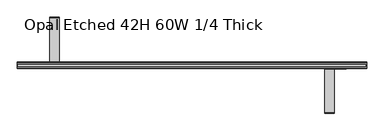
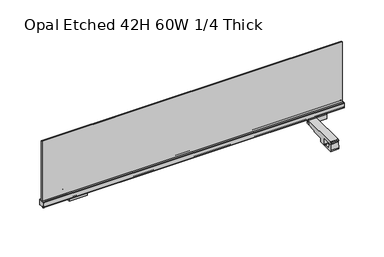
"""IFC4 building model written with IfcOpenShell, lengths in millimetres: furniture geometry, Opal Etched 42H 60W 1/4 Thick."""

from ifc_helpers import new_model, si_unit, frame, origin, place, context, project, spatial, polyline, circle_curve, ellipse_curve, outline, extrude, source, transform, mapped, element, save
from ifc_brep_helpers import plane_surface, cylinder_surface, revolved_surface, advanced_brep


def opal_etched_42h_60w_1_4_thick_86b649ca(model_context):
    return source(origin(), model_context, "Body", "SolidModel", [
        extrude(outline(polyline([(3.201435, 695.9952598), (12.5472507, 695.9948719), (13.9614642, 696.5806646), (14.5463959, 697.9928328), (14.5465332, 699.4737627), (15.6559149, 694.5869844), (16.1552308, 670.5006633), (3.201435, 670.2321276), (3.201435, 695.9952598)])), frame((-617.0086695, 0.0, 0.0), z_axis=(1.0, 0.0, 0.0), x_axis=(0.0, 1.0, 0.0)), (0.0, 0.0, 1.0), 91.8823277),
        advanced_brep(
        [(-585.6869928, 64.3714744, 682.0986035), (-608.330335, 64.3714744, 682.0986035), (-610.7646143, 64.3714744, 679.6643242), (-611.0784676, 64.3714744, 670.0187968), (-582.9388615, 64.3714744, 670.0187968), (-583.2527135, 64.3714744, 679.6643242), (-585.6869928, 34.3714744, 682.0986035), (-608.330335, 34.3714744, 682.0986035), (-610.7646143, 34.3714744, 679.6643242), (-611.0784676, 34.3714744, 670.0187968), (-611.0784676, 63.1060855, 670.0187968), (-582.9388615, 63.1060855, 670.0187968), (-582.9388615, 34.3714744, 670.0187968), (-583.2527135, 34.3714744, 679.6643242), (-577.0086583, 15.5333084, 694.748492), (-577.0086583, 16.0512785, 670.0187968), (-577.0086583, 63.1060855, 670.0187968), (-577.0086583, 64.7802895, 669.3253107), (-577.0086583, 65.3660777, 667.9110802), (-577.0086583, 65.3660777, 666.9110686), (-577.0086583, 65.9518614, 665.4969107), (-577.0086583, 67.0455533, 665.0438834), (-577.0086583, 120.0667475, 665.0438834), (-577.0086583, 122.5380118, 662.5726192), (-577.0086583, 123.0486642, 647.9494482), (-577.0086583, 124.7890124, 646.2091), (-577.0086583, 153.1196776, 646.2091), (-577.0086583, 155.1099437, 648.1993661), (-577.0086583, 155.1099437, 680.3912738), (-577.0086583, 157.5799648, 682.8612948), (-577.0086583, 208.1314782, 682.8612948), (-577.0086583, 208.8141532, 683.339309), (-577.0086583, 209.1380776, 691.2327031), (-577.0086583, 205.6222859, 694.748492), (-617.0086695, 15.5333084, 694.748492), (-617.0086695, 205.6222859, 694.748492), (-617.0086695, 209.1380776, 691.2327031), (-617.0086695, 208.8141532, 683.339309), (-617.0086695, 208.1314782, 682.8612948), (-617.0086695, 157.5799648, 682.8612948), (-617.0086695, 155.1099437, 680.3912738), (-617.0086695, 155.1099437, 648.1993661), (-617.0086695, 153.1196776, 646.2091), (-617.0086695, 124.7890124, 646.2091), (-617.0086695, 123.0486642, 647.9494482), (-617.0086695, 122.5380118, 662.5726192), (-617.0086695, 120.0667475, 665.0438834), (-617.0086695, 67.0455533, 665.0438834), (-617.0086695, 65.9518614, 665.4969107), (-617.0086695, 65.3660777, 666.9110686), (-617.0086695, 65.3660777, 667.9110802), (-617.0086695, 64.7802895, 669.3253107), (-617.0086695, 63.1060855, 670.0187968), (-617.0086695, 16.0512785, 670.0187968), (-581.9932112, 124.7890124, 646.2091), (-581.9932112, 140.0690796, 646.2091), (-612.0649315, 140.0690796, 646.2091), (-612.0649315, 124.7890124, 646.2091), (-611.9886997, 123.0486642, 647.9494482), (-582.0694431, 123.0486642, 647.9494482), (-611.5228551, 122.677279, 658.5845286), (-600.6647896, 122.6606702, 659.0601406), (-593.3933546, 122.6606702, 659.0601406), (-582.5352876, 122.677279, 658.5845286), (-600.6647896, 140.0690796, 659.0601406), (-611.5228551, 140.0690796, 658.5845286), (-582.5352876, 140.0690796, 658.5845286), (-593.3933546, 140.0690796, 659.0601406)],
        [
            (0, 1),
            (1, 2, circle_curve(frame((-608.330335, 64.3714744, 679.6643242), z_axis=(0.0, -1.0, 0.0), x_axis=(1.0, 0.0, 0.0)), 2.4342793)),
            (2, 3),
            (3, 4),
            (4, 5),
            (5, 0, circle_curve(frame((-585.6869928, 64.3714744, 679.6643242), z_axis=(0.0, -1.0, 0.0), x_axis=(1.0, 0.0, 0.0)), 2.4342793)),
            (0, 6),
            (6, 7),
            (7, 1),
            (7, 8, circle_curve(frame((-608.330335, 34.3714744, 679.6643242), z_axis=(0.0, -1.0, 0.0), x_axis=(1.0, 0.0, 0.0)), 2.4342793)),
            (8, 2),
            (8, 9),
            (9, 10),
            (10, 3),
            (10, 11),
            (11, 4),
            (11, 12),
            (12, 13),
            (13, 5),
            (13, 6, circle_curve(frame((-585.6869928, 34.3714744, 679.6643242), z_axis=(0.0, -1.0, 0.0), x_axis=(1.0, 0.0, 0.0)), 2.4342793)),
            (14, 15),
            (15, 16),
            (16, 17),
            (17, 18),
            (18, 19),
            (19, 20),
            (20, 21),
            (21, 22),
            (22, 23),
            (23, 24),
            (24, 25, circle_curve(frame((-577.0086583, 124.7890124, 647.9494482), z_axis=(1.0, 0.0, 0.0), x_axis=(0.0, -1.0, 0.0)), 1.7403482)),
            (25, 26),
            (26, 27, circle_curve(frame((-577.0086583, 153.1196776, 648.1993661), z_axis=(1.0, 0.0, 0.0), x_axis=(0.0, -1.0, 0.0)), 1.9902661)),
            (27, 28),
            (28, 29),
            (29, 30),
            (30, 31, circle_curve(frame((-577.0086583, 208.2904116, 683.360802), z_axis=(1.0, 0.0, 0.0), x_axis=(0.0, -1.0, 0.0)), 0.5241824)),
            (31, 32),
            (32, 33, circle_curve(frame((-577.0086583, 205.6222859, 691.2327002), z_axis=(1.0, 0.0, 0.0), x_axis=(0.0, -1.0, 0.0)), 3.5157917)),
            (33, 14),
            (34, 35),
            (35, 36, circle_curve(frame((-617.0086695, 205.6222859, 691.2327002), z_axis=(-1.0, 0.0, 0.0), x_axis=(0.0, -1.0, 0.0)), 3.5157917)),
            (36, 37),
            (37, 38, circle_curve(frame((-617.0086695, 208.2904116, 683.360802), z_axis=(-1.0, 0.0, 0.0), x_axis=(0.0, -1.0, 0.0)), 0.5241824)),
            (38, 39),
            (39, 40),
            (40, 41),
            (41, 42, circle_curve(frame((-617.0086695, 153.1196776, 648.1993661), z_axis=(-1.0, 0.0, 0.0), x_axis=(0.0, -1.0, 0.0)), 1.9902661)),
            (42, 43),
            (43, 44, circle_curve(frame((-617.0086695, 124.7890124, 647.9494482), z_axis=(-1.0, 0.0, 0.0), x_axis=(0.0, -1.0, 0.0)), 1.7403482)),
            (44, 45),
            (45, 46),
            (46, 47),
            (47, 48),
            (48, 49),
            (49, 50),
            (50, 51),
            (51, 52),
            (52, 53),
            (53, 34),
            (33, 35),
            (34, 14),
            (32, 36),
            (31, 37),
            (29, 39),
            (38, 30),
            (28, 40),
            (27, 41),
            (26, 42),
            (25, 54),
            (54, 55),
            (55, 56),
            (56, 57),
            (57, 43),
            (57, 58, ellipse_curve(frame((-611.9886997, 124.7890124, 647.9494482), z_axis=(-0.9990420429162121, 0.0, 0.043760672821627045), x_axis=(0.043760672821625185, 0.0, 0.999042042916212)), 1.742017, 1.7403482)),
            (58, 44),
            (24, 59),
            (59, 54, ellipse_curve(frame((-582.0694431, 124.7890124, 647.9494482), z_axis=(0.9990420426677843, 0.0, 0.04376067849315382), x_axis=(0.04376067849315236, 0.0, -0.9990420426677845)), 1.742017, 1.7403482)),
            (23, 45),
            (58, 60),
            (60, 61),
            (61, 62),
            (62, 63),
            (63, 59),
            (22, 46),
            (21, 47),
            (15, 53),
            (52, 10),
            (9, 12),
            (11, 16),
            (20, 48),
            (19, 49),
            (18, 50),
            (17, 51),
            (64, 65),
            (65, 56),
            (55, 66),
            (66, 67),
            (67, 64),
            (64, 61),
            (60, 65),
            (63, 66),
            (62, 67),
        ],
        [
            plane_surface(frame((-608.330335, 64.3714744, 682.0986035), z_axis=(0.0, -1.0, 0.0), x_axis=(-1.0, 0.0, 0.0))),
            plane_surface(frame((-585.6869928, 64.3714744, 682.0986035), z_axis=(0.0, 0.0, -1.0), x_axis=(0.0, -1.0, 0.0))),
            revolved_surface(polyline([(-605.8960557, 64.3714744, 679.6643242), (-605.8960557, 34.3714744, 679.6643242)]), (-608.330335, 34.3714744, 679.6643242), (0.0, 1.0, 0.0)),
            plane_surface(frame((-610.7646143, 64.3714744, 679.6643242), z_axis=(0.9994710350913933, 0.0, -0.03252153153433829), x_axis=(0.0, -1.0, 0.0))),
            plane_surface(frame((-611.0784676, 64.3714744, 670.0187968), z_axis=(0.0, 0.0, 1.0), x_axis=(0.0, -1.0, 0.0))),
            plane_surface(frame((-582.9388615, 64.3714744, 670.0187968), z_axis=(-0.999471039390332, 0.0, -0.03252139941653), x_axis=(0.0, -1.0, 0.0))),
            revolved_surface(polyline([(-583.2527135, 64.3714744, 679.6643242), (-583.2527135, 34.3714744, 679.6643242)]), (-585.6869928, 34.3714744, 679.6643242), (0.0, 1.0, 0.0)),
            plane_surface(frame((-577.0086583, 205.6222859, 694.748492), z_axis=(1.0, 0.0, 0.0), x_axis=(0.0, 1.0, 0.0))),
            plane_surface(frame((-617.0086695, 205.6222859, 694.748492), z_axis=(-1.0, 0.0, 0.0), x_axis=(0.0, -1.0, 0.0))),
            plane_surface(frame((-577.0086583, 15.5333084, 694.748492), z_axis=(0.0, 0.0, 1.0), x_axis=(-1.0, 0.0, 0.0))),
            cylinder_surface(frame((-617.0086695, 205.6222859, 691.2327002), z_axis=(1.0, 0.0, 0.0), x_axis=(0.0, -1.0, 0.0)), 3.5157917),
            plane_surface(frame((-577.0086583, 209.1380776, 691.2327031), z_axis=(0.0, 0.9991590276048403, -0.041002896918997445), x_axis=(-1.0, 0.0, 0.0))),
            plane_surface(frame((-577.0086583, 208.1314782, 682.8612948), z_axis=(0.0, 0.0, -1.0), x_axis=(-1.0, 0.0, 0.0))),
            plane_surface(frame((-577.0086583, 157.5799648, 682.8612948), z_axis=(0.0, 0.7071067811865669, -0.7071067811865281), x_axis=(-1.0, 0.0, 0.0))),
            plane_surface(frame((-577.0086583, 155.1099437, 680.3912738), z_axis=(0.0, 1.0, 0.0), x_axis=(-1.0, 0.0, 0.0))),
            cylinder_surface(frame((-617.0086695, 153.1196776, 648.1993661), z_axis=(1.0, 0.0, 0.0), x_axis=(0.0, -1.0, 0.0)), 1.9902661),
            plane_surface(frame((-577.0086583, 153.1196776, 646.2091), z_axis=(0.0, 0.0, -1.0), x_axis=(-1.0, 0.0, 0.0))),
            cylinder_surface(frame((-617.0086695, 124.7890124, 647.9494482), z_axis=(1.0, 0.0, 0.0), x_axis=(0.0, -1.0, 0.0)), 1.7403482),
            plane_surface(frame((-577.0086583, 123.0486642, 647.9494482), z_axis=(0.0, -0.9993908270182066, -0.03489949672796346), x_axis=(-1.0, 0.0, 0.0))),
            plane_surface(frame((-577.0086583, 122.5380118, 662.5726192), z_axis=(0.0, -0.7071067811865888, -0.7071067811865064), x_axis=(-1.0, 0.0, 0.0))),
            plane_surface(frame((-577.0086583, 120.0667475, 665.0438834), z_axis=(0.0, 0.0, -1.0), x_axis=(-1.0, 0.0, 0.0))),
            plane_surface(frame((-577.0086583, 63.1060855, 670.0187968), z_axis=(0.0, 0.0, -1.0), x_axis=(-1.0, 0.0, 0.0))),
            cylinder_surface(frame((-617.0086695, 208.2904116, 683.360802), z_axis=(1.0, 0.0, 0.0), x_axis=(0.0, -1.0, 0.0)), 0.5241824),
            plane_surface(frame((-577.0086583, 67.0455533, 665.0438834), z_axis=(0.0, -0.3826872177215554, -0.9238779645562151), x_axis=(-1.0, 0.0, 0.0))),
            plane_surface(frame((-577.0086583, 65.9518614, 665.4969107), z_axis=(0.0, -0.9238748481049176, -0.3826947413267075), x_axis=(-1.0, 0.0, 0.0))),
            plane_surface(frame((-577.0086583, 65.3660777, 666.9110686), z_axis=(0.0, -1.0, 0.0), x_axis=(-1.0, 0.0, 0.0))),
            plane_surface(frame((-577.0086583, 65.3660777, 667.9110802), z_axis=(0.0, -0.9238807518005431, -0.38268048872716703), x_axis=(-1.0, 0.0, 0.0))),
            plane_surface(frame((-577.0086583, 64.7802895, 669.3253107), z_axis=(0.0, -0.38268721761631463, -0.9238779645998076), x_axis=(-1.0, 0.0, 0.0))),
            plane_surface(frame((-577.0086583, 16.0512785, 670.0187968), z_axis=(0.0, -0.9997807200231504, -0.02094067501278579), x_axis=(-1.0, 0.0, 0.0))),
            plane_surface(frame((-611.5228551, 140.0690796, 658.5845286), z_axis=(0.0, -1.0000000000000002, 0.0), x_axis=(-0.9990420426677844, 0.0, -0.04376067849315215))),
            plane_surface(frame((-600.6647896, 140.0690796, 659.0601406), z_axis=(0.04376067849315215, 0.0, -0.9990420426677844), x_axis=(0.0, -1.0, 0.0))),
            plane_surface(frame((-611.5228551, 140.0690796, 658.5845286), z_axis=(0.9990420429162121, 0.0, -0.043760672821627045), x_axis=(0.0, -1.0, 0.0))),
            plane_surface(frame((-581.9129553, 140.0690796, 644.376883), z_axis=(-0.9990420426677843, 0.0, -0.04376067849315382), x_axis=(0.0, -1.0, 0.0))),
            plane_surface(frame((-582.5352876, 140.0690796, 658.5845286), z_axis=(-0.043760672821278684, 0.0, -0.9990420429162273), x_axis=(0.0, -1.0, 0.0))),
            plane_surface(frame((-593.3933546, 140.0690796, 659.0601406), z_axis=(0.0, 0.0, -1.0), x_axis=(0.0, -1.0, 0.0))),
            plane_surface(frame((-608.330335, 34.3714744, 682.0986035), z_axis=(0.0, 1.0, 0.0), x_axis=(1.0, 0.0, 0.0))),
        ],
        [
            (0, [[1, 2, 3, 4, 5, 6]]),
            (1, [[7, 8, 9, -1]]),
            (2, [[-9, 10, 11, -2]]),
            (3, [[-11, 12, 13, 14, -3]]),
            (4, [[-14, 15, 16, -4]]),
            (5, [[-16, 17, 18, 19, -5]]),
            (6, [[-19, 20, -7, -6]]),
            (7, [[21, 22, 23, 24, 25, 26, 27, 28, 29, 30, 31, 32, 33, 34, 35, 36, 37, 38, 39, 40]]),
            (8, [[41, 42, 43, 44, 45, 46, 47, 48, 49, 50, 51, 52, 53, 54, 55, 56, 57, 58, 59, 60]]),
            (9, [[61, -41, 62, -40]]),
            (10, [[63, -42, -61, -39]]),
            (11, [[64, -43, -63, -38]]),
            (12, [[65, -45, 66, -36]]),
            (13, [[67, -46, -65, -35]]),
            (14, [[68, -47, -67, -34]]),
            (15, [[69, -48, -68, -33]]),
            (16, [[70, 71, 72, 73, 74, -49, -69, -32]]),
            (17, [[-74, 75, 76, -50]]),
            (17, [[77, 78, -70, -31]]),
            (18, [[79, -51, -76, 80, 81, 82, 83, 84, -77, -30]]),
            (19, [[85, -52, -79, -29]]),
            (20, [[86, -53, -85, -28]]),
            (21, [[87, -59, 88, -13, 89, -17, 90, -22]]),
            (22, [[-66, -44, -64, -37]]),
            (23, [[91, -54, -86, -27]]),
            (24, [[92, -55, -91, -26]]),
            (25, [[93, -56, -92, -25]]),
            (26, [[94, -57, -93, -24]]),
            (27, [[-90, -15, -88, -58, -94, -23]]),
            (28, [[-62, -60, -87, -21]]),
            (29, [[95, 96, -72, 97, 98, 99]]),
            (30, [[100, -81, 101, -95]]),
            (31, [[-101, -80, -75, -73, -96]]),
            (32, [[-71, -78, -84, 102, -97]]),
            (33, [[-102, -83, 103, -98]]),
            (34, [[-103, -82, -100, -99]]),
            (35, [[-20, -18, -89, -12, -10, -8]]),
        ],
    ),
        advanced_brep(
        [(-577.0086583, 192.6183967, 652.8966), (-577.0086583, 158.5660905, 652.8966), (-577.0086583, 158.5660905, 645.8966), (-577.0086583, 209.8247065, 645.8966), (-577.0086583, 209.9468927, 652.8966), (-577.0086583, 208.9172894, 682.3805731), (-577.0086583, 195.9764958, 682.3805731), (-577.0086583, 195.0311479, 655.3093513), (-617.0086695, 209.8247065, 645.8966), (-617.0086695, 158.0993665, 645.8966), (-617.0086695, 158.0993665, 652.8966), (-617.0086695, 192.6183967, 652.8966), (-617.0086695, 195.0311479, 655.3093513), (-617.0086695, 195.9764958, 682.3805731), (-617.0086695, 208.9172894, 682.3805731), (-617.0086695, 209.9468927, 652.8966), (-585.7177, 140.0690796, 645.8966), (-586.173485, 139.9468928, 652.8966), (-607.9688403, 139.9468928, 652.8966), (-608.4246253, 140.0690796, 645.8966), (-616.6998014, 156.9460954, 652.8966), (-615.9683052, 156.2145992, 652.8966), (-614.9687262, 155.9468928, 652.8966), (-611.9672794, 155.9468928, 652.8966), (-611.4675078, 155.0780486, 652.8966), (-611.4675078, 143.4455602, 652.8966), (-610.9985698, 141.6963131, 652.8966), (-609.7180876, 140.4158309, 652.8966), (-584.4242378, 140.4158309, 652.8966), (-583.1437556, 141.6963131, 652.8966), (-582.6748176, 143.4455602, 652.8966), (-582.6748176, 155.0780485, 652.8966), (-582.175046, 155.9468928, 652.8966), (-579.1735992, 155.9468928, 652.8966), (-578.1740202, 156.2145992, 652.8966), (-577.442524, 156.9460954, 652.8966), (-577.442524, 156.9460954, 645.8966), (-578.1740202, 156.2145992, 645.8966), (-579.1735992, 155.9468928, 645.8966), (-582.175046, 155.9468928, 645.8966), (-582.6748176, 155.0780485, 645.8966), (-582.6748176, 143.4455602, 645.8966), (-583.1437556, 141.6963131, 645.8966), (-584.4242378, 140.4158309, 645.8966), (-609.7180876, 140.4158309, 645.8966), (-610.9985698, 141.6963131, 645.8966), (-611.4675078, 143.4455602, 645.8966), (-611.4675078, 155.0780486, 645.8966), (-611.9672794, 155.9468928, 645.8966), (-614.9687262, 155.9468928, 645.8966), (-615.9683052, 156.2145992, 645.8966), (-616.6998014, 156.9460954, 645.8966)],
        [
            (0, 1),
            (1, 2),
            (2, 3),
            (3, 4),
            (4, 5),
            (5, 6),
            (6, 7),
            (7, 0, circle_curve(frame((-577.0086583, 192.6183967, 655.3093513), z_axis=(-1.0, 0.0, 0.0), x_axis=(0.0, -1.0, 0.0)), 2.4127513)),
            (8, 9),
            (9, 10),
            (10, 11),
            (11, 12, circle_curve(frame((-617.0086695, 192.6183967, 655.3093513), z_axis=(1.0, 0.0, 0.0), x_axis=(0.0, -1.0, 0.0)), 2.4127513)),
            (12, 13),
            (13, 14),
            (14, 15),
            (15, 8),
            (16, 17),
            (17, 18),
            (18, 19),
            (19, 16),
            (10, 20),
            (20, 21),
            (21, 22),
            (22, 23),
            (23, 24, circle_curve(frame((-612.4726288, 155.0780486, 652.8966), z_axis=(0.0, 0.0, -1.0), x_axis=(1.0, 0.0, 0.0)), 1.005121)),
            (24, 25),
            (25, 26),
            (26, 27),
            (27, 18),
            (17, 28),
            (28, 29),
            (29, 30),
            (30, 31),
            (31, 32, circle_curve(frame((-581.6696965, 155.0780485, 652.8966), z_axis=(0.0, 0.0, -1.0), x_axis=(1.0, 0.0, 0.0)), 1.0051211)),
            (32, 33),
            (33, 34),
            (34, 35),
            (35, 1),
            (0, 11),
            (7, 12),
            (6, 13),
            (5, 14),
            (4, 15),
            (3, 8),
            (2, 36),
            (36, 37),
            (37, 38),
            (38, 39),
            (39, 40, circle_curve(frame((-581.6696965, 155.0780485, 645.8966), z_axis=(0.0, 0.0, 1.0), x_axis=(1.0, 0.0, 0.0)), 1.0051211)),
            (40, 41),
            (41, 42),
            (42, 43),
            (43, 16),
            (19, 44),
            (44, 45),
            (45, 46),
            (46, 47),
            (47, 48, circle_curve(frame((-612.4726288, 155.0780486, 645.8966), z_axis=(0.0, 0.0, 1.0), x_axis=(1.0, 0.0, 0.0)), 1.005121)),
            (48, 49),
            (49, 50),
            (50, 51),
            (51, 9),
            (25, 46),
            (45, 26),
            (44, 27),
            (51, 20),
            (50, 21),
            (49, 22),
            (48, 23),
            (47, 24),
            (30, 41),
            (40, 31),
            (39, 32),
            (38, 33),
            (37, 34),
            (36, 35),
            (43, 28),
            (42, 29),
        ],
        [
            plane_surface(frame((-577.0086583, 140.0690796, 645.8966), z_axis=(1.0, 0.0, 0.0), x_axis=(0.0, -0.01745259834091157, 0.9998476918066825))),
            plane_surface(frame((-617.0086695, 140.0690796, 645.8966), z_axis=(-1.0, 0.0, 0.0), x_axis=(0.0, 0.01745259834091157, -0.9998476918066825))),
            plane_surface(frame((-577.0086583, 140.0690796, 645.8966), z_axis=(0.0, -0.9998476918066825, -0.01745259834091157), x_axis=(-1.0, 0.0, 0.0))),
            plane_surface(frame((-577.0086583, 139.9468928, 652.8966), z_axis=(0.0, 0.0, 1.0), x_axis=(-1.0, 0.0, 0.0))),
            revolved_surface(polyline([(-617.0086695, 190.2056454, 655.3093513), (-577.0086583, 190.2056454, 655.3093513)]), (-617.0086695, 192.6183967, 655.3093513), (-1.0, 0.0, 0.0)),
            plane_surface(frame((-577.0086583, 195.0311479, 655.3093513), z_axis=(0.0, -0.9993908270203338, 0.03489949666705066), x_axis=(-1.0, 0.0, 0.0))),
            plane_surface(frame((-577.0086583, 195.9764958, 682.3805731), z_axis=(0.0, 0.0, 1.0), x_axis=(-1.0, 0.0, 0.0))),
            plane_surface(frame((-577.0086583, 208.9172894, 682.3805731), z_axis=(0.0, 0.999390826636529, 0.03489950765777716), x_axis=(-1.0, 0.0, 0.0))),
            plane_surface(frame((-577.0086583, 209.9468927, 652.8966), z_axis=(0.0, 0.9998476933650656, -0.017452509061959314), x_axis=(-1.0, 0.0, 0.0))),
            plane_surface(frame((-577.0086583, 209.8247065, 645.8966), z_axis=(0.0, 0.0, -1.0), x_axis=(-1.0, 0.0, 0.0))),
            plane_surface(frame((-611.4675078, 143.4455602, 652.8966), z_axis=(-0.9658942540049885, -0.258936845736845, 0.0), x_axis=(0.0, 0.0, -1.0))),
            plane_surface(frame((-610.9985698, 141.6963131, 652.8966), z_axis=(-0.7071067760391501, -0.707106786333945, 0.0), x_axis=(0.0, 0.0, -1.0))),
            plane_surface(frame((-609.7180876, 140.4158309, 652.8966), z_axis=(-0.2589368493371297, -0.9658942530398246, 0.0), x_axis=(0.0, 0.0, -1.0))),
            plane_surface(frame((-618.6862578, 164.363251, 652.8966), z_axis=(-0.965957219207298, -0.25870185670246776, 0.0), x_axis=(0.0, 0.0, -1.0))),
            plane_surface(frame((-616.6998014, 156.9460954, 652.8966), z_axis=(-0.7071067811865476, -0.7071067811865476, 0.0), x_axis=(0.0, 0.0, -1.0))),
            plane_surface(frame((-615.9683052, 156.2145992, 652.8966), z_axis=(-0.2587018567024804, -0.9659572192072946, 0.0), x_axis=(0.0, 0.0, -1.0))),
            plane_surface(frame((-614.9687262, 155.9468928, 652.8966), z_axis=(0.0, -1.0, 0.0), x_axis=(0.0, 0.0, -1.0))),
            revolved_surface(polyline([(-611.4675078, 155.0780486, 652.8966), (-611.4675078, 155.0780486, 645.8966)]), (-612.4726288, 155.0780486, 645.8966), (0.0, 0.0, 1.0)),
            plane_surface(frame((-611.4675078, 155.0780486, 652.8966), z_axis=(-1.0, 0.0, 0.0), x_axis=(0.0, 0.0, -1.0))),
            plane_surface(frame((-582.6748176, 143.4455602, 652.8966), z_axis=(1.0, 0.0, 0.0), x_axis=(0.0, 0.0, -1.0))),
            revolved_surface(polyline([(-580.6645754, 155.0780485, 652.8966), (-580.6645754, 155.0780485, 645.8966)]), (-581.6696965, 155.0780485, 667.9051241), (0.0, 0.0, 1.0)),
            plane_surface(frame((-582.175046, 155.9468928, 652.8966), z_axis=(0.0, -1.0, 0.0), x_axis=(0.0, 0.0, -1.0))),
            plane_surface(frame((-579.1735992, 155.9468928, 652.8966), z_axis=(0.2587018567024804, -0.9659572192072946, 0.0), x_axis=(0.0, 0.0, -1.0))),
            plane_surface(frame((-578.1740202, 156.2145992, 652.8966), z_axis=(0.7071067968281866, -0.7071067655449081, 0.0), x_axis=(0.0, 0.0, -1.0))),
            plane_surface(frame((-577.442524, 156.9460954, 652.8966), z_axis=(0.9659572171002593, -0.2587018645698611, 0.0), x_axis=(0.0, 0.0, -1.0))),
            plane_surface(frame((-593.7505167, 137.9156428, 652.8966), z_axis=(0.258936845736453, -0.9658942540050938, 0.0), x_axis=(0.0, 0.0, -1.0))),
            plane_surface(frame((-584.4242378, 140.4158309, 652.8966), z_axis=(0.7071067811865429, -0.7071067811865522, 0.0), x_axis=(0.0, 0.0, -1.0))),
            plane_surface(frame((-583.1437556, 141.6963131, 652.8966), z_axis=(0.9658942540049885, -0.258936845736845, 0.0), x_axis=(0.0, 0.0, -1.0))),
        ],
        [
            (0, [[1, 2, 3, 4, 5, 6, 7, 8]]),
            (1, [[9, 10, 11, 12, 13, 14, 15, 16]]),
            (2, [[17, 18, 19, 20]]),
            (3, [[-11, 21, 22, 23, 24, 25, 26, 27, 28, 29, -18, 30, 31, 32, 33, 34, 35, 36, 37, 38, -1, 39]]),
            (4, [[40, -12, -39, -8]]),
            (5, [[41, -13, -40, -7]]),
            (6, [[42, -14, -41, -6]]),
            (7, [[43, -15, -42, -5]]),
            (8, [[44, -16, -43, -4]]),
            (9, [[-3, 45, 46, 47, 48, 49, 50, 51, 52, 53, -20, 54, 55, 56, 57, 58, 59, 60, 61, 62, -9, -44]]),
            (10, [[-27, 63, -56, 64]]),
            (11, [[-55, 65, -28, -64]]),
            (12, [[-54, -19, -29, -65]]),
            (13, [[-21, -10, -62, 66]]),
            (14, [[-61, 67, -22, -66]]),
            (15, [[-60, 68, -23, -67]]),
            (16, [[-59, 69, -24, -68]]),
            (17, [[-58, 70, -25, -69]]),
            (18, [[-26, -70, -57, -63]]),
            (19, [[-33, 71, -50, 72]]),
            (20, [[-49, 73, -34, -72]]),
            (21, [[-48, 74, -35, -73]]),
            (22, [[-47, 75, -36, -74]]),
            (23, [[-46, 76, -37, -75]]),
            (24, [[-45, -2, -38, -76]]),
            (25, [[-30, -17, -53, 77]]),
            (26, [[-52, 78, -31, -77]]),
            (27, [[-32, -78, -51, -71]]),
        ],
    ),
        extrude(outline(polyline([(-3.2109631, 695.9952598), (-3.2109631, 670.2321276), (-16.1647589, 670.5006633), (-15.6654429, 694.5869844), (-14.5560613, 699.4737627), (-14.555924, 697.9928328), (-13.9709923, 696.5806646), (-12.5567788, 695.9948719), (-3.2109631, 695.9952598)])), frame((579.7963383, 0.0, 0.0), z_axis=(1.0, 0.0, 0.0), x_axis=(0.0, 1.0, 0.0)), (0.0, 0.0, 1.0), 91.8823277),
        advanced_brep(
        [(611.118015, -64.3810025, 682.0986035), (613.5522943, -64.3810025, 679.6643242), (613.8661464, -64.3810025, 670.0187968), (585.7265402, -64.3810025, 670.0187968), (586.0403935, -64.3810025, 679.6643242), (588.4746728, -64.3810025, 682.0986035), (588.4746728, -34.3810025, 682.0986035), (611.118015, -34.3810025, 682.0986035), (586.0403935, -34.3810025, 679.6643242), (585.7265402, -63.1156136, 670.0187968), (585.7265402, -34.3810025, 670.0187968), (613.8661464, -63.1156136, 670.0187968), (613.5522943, -34.3810025, 679.6643242), (613.8661464, -34.3810025, 670.0187968), (619.7963495, -15.5428365, 694.748492), (619.7963495, -205.631814, 694.748492), (619.7963495, -209.1476057, 691.2327031), (619.7963495, -208.8236813, 683.339309), (619.7963495, -208.1410063, 682.8612948), (619.7963495, -157.5894929, 682.8612948), (619.7963495, -155.1194718, 680.3912738), (619.7963495, -155.1194718, 648.1993661), (619.7963495, -153.1292057, 646.2091), (619.7963495, -124.7985405, 646.2091), (619.7963495, -123.0581923, 647.9494482), (619.7963495, -122.5475399, 662.5726192), (619.7963495, -120.0762756, 665.0438834), (619.7963495, -67.0550814, 665.0438834), (619.7963495, -65.9613895, 665.4969107), (619.7963495, -65.3756058, 666.9110686), (619.7963495, -65.3756058, 667.9110802), (619.7963495, -64.7898176, 669.3253107), (619.7963495, -63.1156136, 670.0187968), (619.7963495, -16.0608066, 670.0187968), (579.7963383, -15.5428365, 694.748492), (579.7963383, -16.0608066, 670.0187968), (579.7963383, -63.1156136, 670.0187968), (579.7963383, -64.7898176, 669.3253107), (579.7963383, -65.3756058, 667.9110802), (579.7963383, -65.3756058, 666.9110686), (579.7963383, -65.9613895, 665.4969107), (579.7963383, -67.0550814, 665.0438834), (579.7963383, -120.0762756, 665.0438834), (579.7963383, -122.5475399, 662.5726192), (579.7963383, -123.0581923, 647.9494482), (579.7963383, -124.7985405, 646.2091), (579.7963383, -153.1292057, 646.2091), (579.7963383, -155.1194718, 648.1993661), (579.7963383, -155.1194718, 680.3912738), (579.7963383, -157.5894929, 682.8612948), (579.7963383, -208.1410063, 682.8612948), (579.7963383, -208.8236813, 683.339309), (579.7963383, -209.1476057, 691.2327031), (579.7963383, -205.631814, 694.748492), (584.7400763, -124.7985405, 646.2091), (584.7400763, -140.0786077, 646.2091), (614.8117966, -140.0786077, 646.2091), (614.8117966, -124.7985405, 646.2091), (614.7355648, -123.0581923, 647.9494482), (584.8163082, -123.0581923, 647.9494482), (614.2697202, -122.6868071, 658.5845286), (603.4116532, -122.6701983, 659.0601406), (596.1402183, -122.6701983, 659.0601406), (585.2821527, -122.6868071, 658.5845286), (596.1402183, -140.0786077, 659.0601406), (603.4116532, -140.0786077, 659.0601406), (614.2697202, -140.0786077, 658.5845286), (585.2821527, -140.0786077, 658.5845286)],
        [
            (0, 1, circle_curve(frame((611.118015, -64.3810025, 679.6643242), z_axis=(0.0, 1.0, 0.0), x_axis=(1.0, 0.0, 0.0)), 2.4342793)),
            (1, 2),
            (2, 3),
            (3, 4),
            (4, 5, circle_curve(frame((588.4746728, -64.3810025, 679.6643242), z_axis=(0.0, 1.0, 0.0), x_axis=(1.0, 0.0, 0.0)), 2.4342793)),
            (5, 0),
            (5, 6),
            (6, 7),
            (7, 0),
            (4, 8),
            (8, 6, circle_curve(frame((588.4746728, -34.3810025, 679.6643242), z_axis=(0.0, 1.0, 0.0), x_axis=(1.0, 0.0, 0.0)), 2.4342793)),
            (3, 9),
            (9, 10),
            (10, 8),
            (2, 11),
            (11, 9),
            (1, 12),
            (12, 13),
            (13, 11),
            (7, 12, circle_curve(frame((611.118015, -34.3810025, 679.6643242), z_axis=(0.0, 1.0, 0.0), x_axis=(1.0, 0.0, 0.0)), 2.4342793)),
            (14, 15),
            (15, 16, circle_curve(frame((619.7963495, -205.631814, 691.2327002), z_axis=(1.0, 0.0, 0.0), x_axis=(0.0, 1.0, 0.0)), 3.5157917)),
            (16, 17),
            (17, 18, circle_curve(frame((619.7963495, -208.2999397, 683.360802), z_axis=(1.0, 0.0, 0.0), x_axis=(0.0, 1.0, 0.0)), 0.5241824)),
            (18, 19),
            (19, 20),
            (20, 21),
            (21, 22, circle_curve(frame((619.7963495, -153.1292057, 648.1993661), z_axis=(1.0, 0.0, 0.0), x_axis=(0.0, 1.0, 0.0)), 1.9902661)),
            (22, 23),
            (23, 24, circle_curve(frame((619.7963495, -124.7985405, 647.9494482), z_axis=(1.0, 0.0, 0.0), x_axis=(0.0, 1.0, 0.0)), 1.7403482)),
            (24, 25),
            (25, 26),
            (26, 27),
            (27, 28),
            (28, 29),
            (29, 30),
            (30, 31),
            (31, 32),
            (32, 33),
            (33, 14),
            (34, 35),
            (35, 36),
            (36, 37),
            (37, 38),
            (38, 39),
            (39, 40),
            (40, 41),
            (41, 42),
            (42, 43),
            (43, 44),
            (44, 45, circle_curve(frame((579.7963383, -124.7985405, 647.9494482), z_axis=(-1.0, 0.0, 0.0), x_axis=(0.0, 1.0, 0.0)), 1.7403482)),
            (45, 46),
            (46, 47, circle_curve(frame((579.7963383, -153.1292057, 648.1993661), z_axis=(-1.0, 0.0, 0.0), x_axis=(0.0, 1.0, 0.0)), 1.9902661)),
            (47, 48),
            (48, 49),
            (49, 50),
            (50, 51, circle_curve(frame((579.7963383, -208.2999397, 683.360802), z_axis=(-1.0, 0.0, 0.0), x_axis=(0.0, 1.0, 0.0)), 0.5241824)),
            (51, 52),
            (52, 53, circle_curve(frame((579.7963383, -205.631814, 691.2327002), z_axis=(-1.0, 0.0, 0.0), x_axis=(0.0, 1.0, 0.0)), 3.5157917)),
            (53, 34),
            (14, 34),
            (53, 15),
            (52, 16),
            (51, 17),
            (18, 50),
            (49, 19),
            (48, 20),
            (47, 21),
            (46, 22),
            (45, 54),
            (54, 55),
            (55, 56),
            (56, 57),
            (57, 23),
            (57, 58, ellipse_curve(frame((614.7355648, -124.7985405, 647.9494482), z_axis=(0.9990420426677843, 0.0, 0.04376067849315382), x_axis=(0.04376067849315236, 0.0, -0.9990420426677845)), 1.742017, 1.7403482)),
            (58, 24),
            (44, 59),
            (59, 54, ellipse_curve(frame((584.8163082, -124.7985405, 647.9494482), z_axis=(-0.9990420429162121, 0.0, 0.043760672821627045), x_axis=(0.043760672821625185, 0.0, 0.999042042916212)), 1.742017, 1.7403482)),
            (58, 60),
            (60, 61),
            (61, 62),
            (62, 63),
            (63, 59),
            (43, 25),
            (42, 26),
            (41, 27),
            (32, 11),
            (13, 10),
            (9, 36),
            (35, 33),
            (40, 28),
            (39, 29),
            (38, 30),
            (37, 31),
            (64, 65),
            (65, 66),
            (66, 56),
            (55, 67),
            (67, 64),
            (67, 63),
            (62, 64),
            (66, 60),
            (65, 61),
        ],
        [
            plane_surface(frame((588.4746728, -64.3810025, 682.0986035), z_axis=(0.0, 1.0, 0.0), x_axis=(-1.0, 0.0, 0.0))),
            plane_surface(frame((611.118015, -64.3810025, 682.0986035), z_axis=(0.0, 0.0, -1.0), x_axis=(0.0, 1.0, 0.0))),
            revolved_surface(polyline([(590.9089521, -64.3810025, 679.6643242), (590.9089521, -34.3810025, 679.6643242)]), (588.4746728, -34.3810025, 679.6643242), (0.0, -1.0, 0.0)),
            plane_surface(frame((586.0403935, -64.3810025, 679.6643242), z_axis=(0.9994710350913933, 0.0, -0.03252153153433829), x_axis=(0.0, 1.0, 0.0))),
            plane_surface(frame((585.7265402, -64.3810025, 670.0187968), z_axis=(0.0, 0.0, 1.0), x_axis=(0.0, 1.0, 0.0))),
            plane_surface(frame((613.8661464, -64.3810025, 670.0187968), z_axis=(-0.999471039390332, 0.0, -0.03252139941653), x_axis=(0.0, 1.0, 0.0))),
            revolved_surface(polyline([(613.5522943, -64.3810025, 679.6643242), (613.5522943, -34.3810025, 679.6643242)]), (611.118015, -34.3810025, 679.6643242), (0.0, -1.0, 0.0)),
            plane_surface(frame((619.7963495, -205.631814, 694.748492), z_axis=(1.0, 0.0, 0.0), x_axis=(0.0, -1.0, 0.0))),
            plane_surface(frame((579.7963383, -205.631814, 694.748492), z_axis=(-1.0, 0.0, 0.0), x_axis=(0.0, 1.0, 0.0))),
            plane_surface(frame((619.7963495, -15.5428365, 694.748492), z_axis=(0.0, 0.0, 1.0), x_axis=(-1.0, 0.0, 0.0))),
            cylinder_surface(frame((579.7963383, -205.631814, 691.2327002), z_axis=(1.0, 0.0, 0.0), x_axis=(0.0, 1.0, 0.0)), 3.5157917),
            plane_surface(frame((619.7963495, -209.1476057, 691.2327031), z_axis=(0.0, -0.9991590276048403, -0.041002896918997445), x_axis=(-1.0, 0.0, 0.0))),
            plane_surface(frame((619.7963495, -208.1410063, 682.8612948), z_axis=(0.0, 0.0, -1.0), x_axis=(-1.0, 0.0, 0.0))),
            plane_surface(frame((619.7963495, -157.5894929, 682.8612948), z_axis=(0.0, -0.7071067811865669, -0.7071067811865281), x_axis=(-1.0, 0.0, 0.0))),
            plane_surface(frame((619.7963495, -155.1194718, 680.3912738), z_axis=(0.0, -1.0, 0.0), x_axis=(-1.0, 0.0, 0.0))),
            cylinder_surface(frame((579.7963383, -153.1292057, 648.1993661), z_axis=(1.0, 0.0, 0.0), x_axis=(0.0, 1.0, 0.0)), 1.9902661),
            plane_surface(frame((619.7963495, -153.1292057, 646.2091), z_axis=(0.0, 0.0, -1.0), x_axis=(-1.0, 0.0, 0.0))),
            cylinder_surface(frame((579.7963383, -124.7985405, 647.9494482), z_axis=(1.0, 0.0, 0.0), x_axis=(0.0, 1.0, 0.0)), 1.7403482),
            plane_surface(frame((619.7963495, -123.0581923, 647.9494482), z_axis=(0.0, 0.9993908270182066, -0.03489949672796346), x_axis=(-1.0, 0.0, 0.0))),
            plane_surface(frame((619.7963495, -122.5475399, 662.5726192), z_axis=(0.0, 0.7071067811865888, -0.7071067811865064), x_axis=(-1.0, 0.0, 0.0))),
            plane_surface(frame((619.7963495, -120.0762756, 665.0438834), z_axis=(0.0, 0.0, -1.0), x_axis=(-1.0, 0.0, 0.0))),
            plane_surface(frame((619.7963495, -63.1156136, 670.0187968), z_axis=(0.0, 0.0, -1.0), x_axis=(-1.0, 0.0, 0.0))),
            cylinder_surface(frame((579.7963383, -208.2999397, 683.360802), z_axis=(1.0, 0.0, 0.0), x_axis=(0.0, 1.0, 0.0)), 0.5241824),
            plane_surface(frame((619.7963495, -67.0550814, 665.0438834), z_axis=(0.0, 0.3826872177215554, -0.9238779645562151), x_axis=(-1.0, 0.0, 0.0))),
            plane_surface(frame((619.7963495, -65.9613895, 665.4969107), z_axis=(0.0, 0.9238748481049176, -0.3826947413267075), x_axis=(-1.0, 0.0, 0.0))),
            plane_surface(frame((619.7963495, -65.3756058, 666.9110686), z_axis=(0.0, 1.0, 0.0), x_axis=(-1.0, 0.0, 0.0))),
            plane_surface(frame((619.7963495, -65.3756058, 667.9110802), z_axis=(0.0, 0.9238807518005431, -0.38268048872716703), x_axis=(-1.0, 0.0, 0.0))),
            plane_surface(frame((619.7963495, -64.7898176, 669.3253107), z_axis=(0.0, 0.38268721761631463, -0.9238779645998076), x_axis=(-1.0, 0.0, 0.0))),
            plane_surface(frame((619.7963495, -16.0608066, 670.0187968), z_axis=(0.0, 0.9997807200231504, -0.02094067501278579), x_axis=(-1.0, 0.0, 0.0))),
            plane_surface(frame((585.2821527, -140.0786077, 658.5845286), z_axis=(0.0, 1.0000000000000002, 0.0), x_axis=(-0.9990420426677844, 0.0, -0.04376067849315215))),
            plane_surface(frame((596.1402183, -140.0786077, 659.0601406), z_axis=(0.04376067849315215, 0.0, -0.9990420426677844), x_axis=(0.0, 1.0, 0.0))),
            plane_surface(frame((585.2821527, -140.0786077, 658.5845286), z_axis=(0.9990420429162121, 0.0, -0.043760672821627045), x_axis=(0.0, 1.0, 0.0))),
            plane_surface(frame((614.8920526, -140.0786077, 644.376883), z_axis=(-0.9990420426677843, 0.0, -0.04376067849315382), x_axis=(0.0, 1.0, 0.0))),
            plane_surface(frame((614.2697202, -140.0786077, 658.5845286), z_axis=(-0.043760672821278684, 0.0, -0.9990420429162273), x_axis=(0.0, 1.0, 0.0))),
            plane_surface(frame((603.4116532, -140.0786077, 659.0601406), z_axis=(0.0, 0.0, -1.0), x_axis=(0.0, 1.0, 0.0))),
            plane_surface(frame((588.4746728, -34.3810025, 682.0986035), z_axis=(0.0, -1.0, 0.0), x_axis=(1.0, 0.0, 0.0))),
        ],
        [
            (0, [[1, 2, 3, 4, 5, 6]]),
            (1, [[-6, 7, 8, 9]]),
            (2, [[-5, 10, 11, -7]]),
            (3, [[-4, 12, 13, 14, -10]]),
            (4, [[-3, 15, 16, -12]]),
            (5, [[-2, 17, 18, 19, -15]]),
            (6, [[-1, -9, 20, -17]]),
            (7, [[21, 22, 23, 24, 25, 26, 27, 28, 29, 30, 31, 32, 33, 34, 35, 36, 37, 38, 39, 40]]),
            (8, [[41, 42, 43, 44, 45, 46, 47, 48, 49, 50, 51, 52, 53, 54, 55, 56, 57, 58, 59, 60]]),
            (9, [[-21, 61, -60, 62]]),
            (10, [[-22, -62, -59, 63]]),
            (11, [[-23, -63, -58, 64]]),
            (12, [[-25, 65, -56, 66]]),
            (13, [[-26, -66, -55, 67]]),
            (14, [[-27, -67, -54, 68]]),
            (15, [[-28, -68, -53, 69]]),
            (16, [[-29, -69, -52, 70, 71, 72, 73, 74]]),
            (17, [[-30, -74, 75, 76]]),
            (17, [[-51, 77, 78, -70]]),
            (18, [[-31, -76, 79, 80, 81, 82, 83, -77, -50, 84]]),
            (19, [[-32, -84, -49, 85]]),
            (20, [[-33, -85, -48, 86]]),
            (21, [[-39, 87, -19, 88, -13, 89, -42, 90]]),
            (22, [[-24, -64, -57, -65]]),
            (23, [[-34, -86, -47, 91]]),
            (24, [[-35, -91, -46, 92]]),
            (25, [[-36, -92, -45, 93]]),
            (26, [[-37, -93, -44, 94]]),
            (27, [[-38, -94, -43, -89, -16, -87]]),
            (28, [[-40, -90, -41, -61]]),
            (29, [[95, 96, 97, -72, 98, 99]]),
            (30, [[-99, 100, -82, 101]]),
            (31, [[-98, -71, -78, -83, -100]]),
            (32, [[-97, 102, -79, -75, -73]]),
            (33, [[-96, 103, -80, -102]]),
            (34, [[-95, -101, -81, -103]]),
            (35, [[-8, -11, -14, -88, -18, -20]]),
        ],
    ),
        advanced_brep(
        [(619.7963495, -192.6279248, 652.8966), (619.7963495, -195.040676, 655.3093513), (619.7963495, -195.9860239, 682.3805731), (619.7963495, -208.9268175, 682.3805731), (619.7963495, -209.9564208, 652.8966), (619.7963495, -209.8342346, 645.8966), (619.7963495, -158.5756186, 645.8966), (619.7963495, -158.5756186, 652.8966), (579.7963383, -209.8342346, 645.8966), (579.7963383, -209.9564208, 652.8966), (579.7963383, -208.9268175, 682.3805731), (579.7963383, -195.9860239, 682.3805731), (579.7963383, -195.040676, 655.3093513), (579.7963383, -192.6279248, 652.8966), (579.7963383, -158.1088946, 652.8966), (579.7963383, -158.1088946, 645.8966), (611.0873079, -140.0786077, 645.8966), (588.3803825, -140.0786077, 645.8966), (588.8361675, -139.9564209, 652.8966), (610.6315229, -139.9564209, 652.8966), (619.3624838, -156.9556235, 652.8966), (618.6309876, -156.2241273, 652.8966), (617.6314086, -155.9564209, 652.8966), (614.6299618, -155.9564209, 652.8966), (614.1301902, -155.0875766, 652.8966), (614.1301902, -143.4550883, 652.8966), (613.6612522, -141.7058411, 652.8966), (612.38077, -140.425359, 652.8966), (587.0869203, -140.425359, 652.8966), (585.8064381, -141.7058412, 652.8966), (585.3375, -143.4550883, 652.8966), (585.3375, -155.0875767, 652.8966), (584.8377284, -155.9564209, 652.8966), (581.8362817, -155.9564209, 652.8966), (580.8367026, -156.2241273, 652.8966), (580.1052064, -156.9556235, 652.8966), (580.1052064, -156.9556235, 645.8966), (580.8367026, -156.2241273, 645.8966), (581.8362817, -155.9564209, 645.8966), (584.8377284, -155.9564209, 645.8966), (585.3375, -155.0875767, 645.8966), (585.3375, -143.4550883, 645.8966), (585.8064381, -141.7058412, 645.8966), (587.0869203, -140.425359, 645.8966), (612.38077, -140.425359, 645.8966), (613.6612522, -141.7058411, 645.8966), (614.1301902, -143.4550883, 645.8966), (614.1301902, -155.0875766, 645.8966), (614.6299618, -155.9564209, 645.8966), (617.6314086, -155.9564209, 645.8966), (618.6309876, -156.2241273, 645.8966), (619.3624838, -156.9556235, 645.8966)],
        [
            (0, 1, circle_curve(frame((619.7963495, -192.6279248, 655.3093513), z_axis=(-1.0, 0.0, 0.0), x_axis=(0.0, 1.0, 0.0)), 2.4127513)),
            (1, 2),
            (2, 3),
            (3, 4),
            (4, 5),
            (5, 6),
            (6, 7),
            (7, 0),
            (8, 9),
            (9, 10),
            (10, 11),
            (11, 12),
            (12, 13, circle_curve(frame((579.7963383, -192.6279248, 655.3093513), z_axis=(1.0, 0.0, 0.0), x_axis=(0.0, 1.0, 0.0)), 2.4127513)),
            (13, 14),
            (14, 15),
            (15, 8),
            (16, 17),
            (17, 18),
            (18, 19),
            (19, 16),
            (13, 0),
            (7, 20),
            (20, 21),
            (21, 22),
            (22, 23),
            (23, 24, circle_curve(frame((615.1353114, -155.0875766, 652.8966), z_axis=(0.0, 0.0, -1.0), x_axis=(1.0, 0.0, 0.0)), 1.0051211)),
            (24, 25),
            (25, 26),
            (26, 27),
            (27, 19),
            (18, 28),
            (28, 29),
            (29, 30),
            (30, 31),
            (31, 32, circle_curve(frame((584.332379, -155.0875767, 652.8966), z_axis=(0.0, 0.0, -1.0), x_axis=(1.0, 0.0, 0.0)), 1.005121)),
            (32, 33),
            (33, 34),
            (34, 35),
            (35, 14),
            (12, 1),
            (11, 2),
            (10, 3),
            (9, 4),
            (8, 5),
            (15, 36),
            (36, 37),
            (37, 38),
            (38, 39),
            (39, 40, circle_curve(frame((584.332379, -155.0875767, 645.8966), z_axis=(0.0, 0.0, 1.0), x_axis=(1.0, 0.0, 0.0)), 1.005121)),
            (40, 41),
            (41, 42),
            (42, 43),
            (43, 17),
            (16, 44),
            (44, 45),
            (45, 46),
            (46, 47),
            (47, 48, circle_curve(frame((615.1353114, -155.0875766, 645.8966), z_axis=(0.0, 0.0, 1.0), x_axis=(1.0, 0.0, 0.0)), 1.0051211)),
            (48, 49),
            (49, 50),
            (50, 51),
            (51, 6),
            (29, 42),
            (41, 30),
            (28, 43),
            (35, 36),
            (34, 37),
            (33, 38),
            (32, 39),
            (31, 40),
            (24, 47),
            (46, 25),
            (23, 48),
            (22, 49),
            (21, 50),
            (20, 51),
            (27, 44),
            (26, 45),
        ],
        [
            plane_surface(frame((619.7963495, -140.0786077, 645.8966), z_axis=(1.0, 0.0, 0.0), x_axis=(0.0, 0.01745259834091157, 0.9998476918066825))),
            plane_surface(frame((579.7963383, -140.0786077, 645.8966), z_axis=(-1.0, 0.0, 0.0), x_axis=(0.0, -0.01745259834091157, -0.9998476918066825))),
            plane_surface(frame((619.7963495, -140.0786077, 645.8966), z_axis=(0.0, 0.9998476918066825, -0.01745259834091157), x_axis=(-1.0, 0.0, 0.0))),
            plane_surface(frame((619.7963495, -139.9564209, 652.8966), z_axis=(0.0, 0.0, 1.0), x_axis=(-1.0, 0.0, 0.0))),
            revolved_surface(polyline([(579.7963383, -190.2151735, 655.3093513), (619.7963495, -190.2151735, 655.3093513)]), (579.7963383, -192.6279248, 655.3093513), (-1.0, 0.0, 0.0)),
            plane_surface(frame((619.7963495, -195.040676, 655.3093513), z_axis=(0.0, 0.9993908270203338, 0.03489949666705066), x_axis=(-1.0, 0.0, 0.0))),
            plane_surface(frame((619.7963495, -195.9860239, 682.3805731), z_axis=(0.0, 0.0, 1.0), x_axis=(-1.0, 0.0, 0.0))),
            plane_surface(frame((619.7963495, -208.9268175, 682.3805731), z_axis=(0.0, -0.999390826636529, 0.03489950765777716), x_axis=(-1.0, 0.0, 0.0))),
            plane_surface(frame((619.7963495, -209.9564208, 652.8966), z_axis=(0.0, -0.9998476933650656, -0.017452509061959314), x_axis=(-1.0, 0.0, 0.0))),
            plane_surface(frame((619.7963495, -209.8342346, 645.8966), z_axis=(0.0, 0.0, -1.0), x_axis=(-1.0, 0.0, 0.0))),
            plane_surface(frame((585.3375, -143.4550883, 652.8966), z_axis=(-0.9658942540049885, 0.258936845736845, 0.0), x_axis=(0.0, 0.0, -1.0))),
            plane_surface(frame((585.8064381, -141.7058412, 652.8966), z_axis=(-0.7071067760391501, 0.707106786333945, 0.0), x_axis=(0.0, 0.0, -1.0))),
            plane_surface(frame((587.0869203, -140.425359, 652.8966), z_axis=(-0.2589368493371297, 0.9658942530398246, 0.0), x_axis=(0.0, 0.0, -1.0))),
            plane_surface(frame((578.11875, -164.3727791, 652.8966), z_axis=(-0.965957219207298, 0.25870185670246776, 0.0), x_axis=(0.0, 0.0, -1.0))),
            plane_surface(frame((580.1052064, -156.9556235, 652.8966), z_axis=(-0.7071067811865476, 0.7071067811865476, 0.0), x_axis=(0.0, 0.0, -1.0))),
            plane_surface(frame((580.8367026, -156.2241273, 652.8966), z_axis=(-0.2587018567024804, 0.9659572192072946, 0.0), x_axis=(0.0, 0.0, -1.0))),
            plane_surface(frame((581.8362817, -155.9564209, 652.8966), z_axis=(0.0, 1.0, 0.0), x_axis=(0.0, 0.0, -1.0))),
            revolved_surface(polyline([(585.3375, -155.0875767, 652.8966), (585.3375, -155.0875767, 645.8966)]), (584.332379, -155.0875767, 645.8966), (0.0, 0.0, 1.0)),
            plane_surface(frame((585.3375, -155.0875767, 652.8966), z_axis=(-1.0, 0.0, 0.0), x_axis=(0.0, 0.0, -1.0))),
            plane_surface(frame((614.1301902, -143.4550883, 652.8966), z_axis=(1.0, 0.0, 0.0), x_axis=(0.0, 0.0, -1.0))),
            revolved_surface(polyline([(616.1404325, -155.0875766, 652.8966), (616.1404325, -155.0875766, 645.8966)]), (615.1353114, -155.0875766, 667.9051241), (0.0, 0.0, 1.0)),
            plane_surface(frame((614.6299618, -155.9564209, 652.8966), z_axis=(0.0, 1.0, 0.0), x_axis=(0.0, 0.0, -1.0))),
            plane_surface(frame((617.6314086, -155.9564209, 652.8966), z_axis=(0.2587018567024804, 0.9659572192072946, 0.0), x_axis=(0.0, 0.0, -1.0))),
            plane_surface(frame((618.6309876, -156.2241273, 652.8966), z_axis=(0.7071067968281866, 0.7071067655449081, 0.0), x_axis=(0.0, 0.0, -1.0))),
            plane_surface(frame((619.3624838, -156.9556235, 652.8966), z_axis=(0.9659572171002593, 0.2587018645698611, 0.0), x_axis=(0.0, 0.0, -1.0))),
            plane_surface(frame((603.0544911, -137.9251709, 652.8966), z_axis=(0.258936845736453, 0.9658942540050938, 0.0), x_axis=(0.0, 0.0, -1.0))),
            plane_surface(frame((612.38077, -140.425359, 652.8966), z_axis=(0.7071067811865429, 0.7071067811865522, 0.0), x_axis=(0.0, 0.0, -1.0))),
            plane_surface(frame((613.6612522, -141.7058411, 652.8966), z_axis=(0.9658942540049885, 0.258936845736845, 0.0), x_axis=(0.0, 0.0, -1.0))),
        ],
        [
            (0, [[1, 2, 3, 4, 5, 6, 7, 8]]),
            (1, [[9, 10, 11, 12, 13, 14, 15, 16]]),
            (2, [[17, 18, 19, 20]]),
            (3, [[21, -8, 22, 23, 24, 25, 26, 27, 28, 29, 30, -19, 31, 32, 33, 34, 35, 36, 37, 38, 39, -14]]),
            (4, [[-1, -21, -13, 40]]),
            (5, [[-2, -40, -12, 41]]),
            (6, [[-3, -41, -11, 42]]),
            (7, [[-4, -42, -10, 43]]),
            (8, [[-5, -43, -9, 44]]),
            (9, [[-44, -16, 45, 46, 47, 48, 49, 50, 51, 52, 53, -17, 54, 55, 56, 57, 58, 59, 60, 61, 62, -6]]),
            (10, [[63, -51, 64, -33]]),
            (11, [[-63, -32, 65, -52]]),
            (12, [[-65, -31, -18, -53]]),
            (13, [[66, -45, -15, -39]]),
            (14, [[-66, -38, 67, -46]]),
            (15, [[-67, -37, 68, -47]]),
            (16, [[-68, -36, 69, -48]]),
            (17, [[-69, -35, 70, -49]]),
            (18, [[-64, -50, -70, -34]]),
            (19, [[71, -57, 72, -27]]),
            (20, [[-71, -26, 73, -58]]),
            (21, [[-73, -25, 74, -59]]),
            (22, [[-74, -24, 75, -60]]),
            (23, [[-75, -23, 76, -61]]),
            (24, [[-76, -22, -7, -62]]),
            (25, [[77, -54, -20, -30]]),
            (26, [[-77, -29, 78, -55]]),
            (27, [[-72, -56, -78, -28]]),
        ],
    ),
        advanced_brep(
        [(760.73, -14.2533919, 697.853023), (760.73, -12.2533924, 695.9948719), (760.73, 12.2611178, 695.9958893), (760.73, 14.2262129, 697.853023), (760.73, 14.2262129, 721.9020842), (760.73, 12.2832435, 723.9077081), (760.73, 5.0676383, 723.9060611), (760.73, 5.0676383, 722.0149465), (760.73, 8.983638, 722.0140686), (760.73, 9.9487385, 721.014711), (760.73, 9.9475724, 701.4721539), (760.73, 8.2611121, 700.4734503), (760.73, -8.2882911, 700.4734503), (760.73, -9.954431, 701.4728079), (760.73, -9.9537917, 721.014711), (760.73, -8.9886912, 722.0140686), (760.73, -5.0726912, 722.0149465), (760.73, -5.0726912, 723.9037465), (760.73, -12.2883037, 723.9020995), (760.73, -14.2533919, 721.9079704), (-758.3869849, -14.2533919, 697.853023), (-758.3869849, -14.2533919, 721.9079704), (-758.3869849, -12.2883037, 723.9020995), (-758.3869849, 0.2461289, 723.9049605), (-758.3869849, 12.2832435, 723.9077081), (-758.3869849, 14.2262129, 721.9020842), (-758.3869849, 14.2262129, 697.853023), (-758.3869849, 12.2611178, 695.9958893), (-758.3869849, -12.2533924, 695.9948719), (-757.1232, 0.2461289, 723.9049605), (-757.1232, 5.0676378, 723.9060611), (-757.1232, -5.0726912, 723.9037465), (-757.1232, -9.9537917, 721.014711), (-757.1232, -9.954431, 701.4728079), (-757.1232, -8.2882911, 700.4734503), (-757.1232, 8.2611121, 700.4734503), (-757.1232, 9.9475724, 701.4721539), (-757.1232, 9.9487385, 721.014711), (-757.1232, 8.983638, 722.0140686), (-757.1232, 5.0676383, 722.0149465), (-757.1232, -5.0726912, 722.0149465), (-757.1232, -8.9886912, 722.0140686)],
        [
            (0, 1, circle_curve(frame((760.73, -12.3902105, 697.853023), z_axis=(1.0, 0.0, 0.0), x_axis=(0.0, 1.0, 0.0)), 1.8631813)),
            (1, 2),
            (2, 3, circle_curve(frame((760.73, 12.2610361, 697.9642089), z_axis=(1.0, 0.0, 0.0), x_axis=(0.0, 1.0, 0.0)), 1.9683196)),
            (3, 4),
            (4, 5, circle_curve(frame((760.73, 12.2836871, 721.9641898), z_axis=(1.0, 0.0, 0.0), x_axis=(0.0, 1.0, 0.0)), 1.9435183)),
            (5, 6),
            (6, 7),
            (7, 8),
            (8, 9, circle_curve(frame((760.73, 8.9834214, 721.0481718), z_axis=(-1.0, 0.0, 0.0), x_axis=(0.0, 1.0, 0.0)), 0.9658968)),
            (9, 10),
            (10, 11),
            (11, 12),
            (12, 13),
            (13, 14),
            (14, 15, circle_curve(frame((760.73, -8.9537922, 721.0146783), z_axis=(-1.0, 0.0, 0.0), x_axis=(0.0, 1.0, 0.0)), 0.9999995)),
            (15, 16),
            (16, 17),
            (17, 18),
            (18, 19, circle_curve(frame((760.73, -12.2590482, 721.9079704), z_axis=(1.0, 0.0, 0.0), x_axis=(0.0, 1.0, 0.0)), 1.9943436)),
            (19, 0),
            (20, 21),
            (21, 22, circle_curve(frame((-758.3869849, -12.2590482, 721.9079704), z_axis=(-1.0, 0.0, 0.0), x_axis=(0.0, 1.0, 0.0)), 1.9943436)),
            (22, 23),
            (23, 24),
            (24, 25, circle_curve(frame((-758.3869849, 12.2836871, 721.9641898), z_axis=(-1.0, 0.0, 0.0), x_axis=(0.0, 1.0, 0.0)), 1.9435183)),
            (25, 26),
            (26, 27, circle_curve(frame((-758.3869849, 12.2610361, 697.9642089), z_axis=(-1.0, 0.0, 0.0), x_axis=(0.0, 1.0, 0.0)), 1.9683196)),
            (27, 28),
            (28, 20, circle_curve(frame((-758.3869849, -12.3902105, 697.853023), z_axis=(-1.0, 0.0, 0.0), x_axis=(0.0, 1.0, 0.0)), 1.8631813)),
            (0, 20),
            (28, 1),
            (27, 2),
            (26, 3),
            (25, 4),
            (24, 5),
            (23, 29),
            (29, 30),
            (30, 6),
            (22, 18),
            (17, 31),
            (31, 29),
            (21, 19),
            (32, 33),
            (33, 34),
            (34, 35),
            (35, 36),
            (36, 37),
            (37, 38, circle_curve(frame((-757.1232, 8.9834214, 721.0481718), z_axis=(1.0, 0.0, 0.0), x_axis=(0.0, 1.0, 0.0)), 0.9658968)),
            (38, 39),
            (39, 30),
            (31, 40),
            (40, 41),
            (41, 32, circle_curve(frame((-757.1232, -8.9537922, 721.0146783), z_axis=(1.0, 0.0, 0.0), x_axis=(0.0, 1.0, 0.0)), 0.9999995)),
            (32, 14),
            (13, 33),
            (12, 34),
            (11, 35),
            (10, 36),
            (9, 37),
            (8, 38),
            (7, 39),
            (16, 40),
            (15, 41),
        ],
        [
            plane_surface(frame((760.73, -10.5270292, 697.853023), z_axis=(1.0, 0.0, 0.0), x_axis=(0.0, 0.0, 1.0))),
            plane_surface(frame((-758.3869849, -10.5270292, 697.853023), z_axis=(-1.0, 0.0, 0.0), x_axis=(0.0, 0.0, -1.0))),
            cylinder_surface(frame((-758.3869849, -12.3902105, 697.853023), z_axis=(1.0, 0.0, 0.0), x_axis=(0.0, 1.0, 0.0)), 1.8631813),
            plane_surface(frame((760.73, -12.2533924, 695.9948719), z_axis=(0.0, 4.150112531173965e-05, -0.9999999991388283), x_axis=(-1.0, 0.0, 0.0))),
            cylinder_surface(frame((-758.3869849, 12.2610361, 697.9642089), z_axis=(1.0, 0.0, 0.0), x_axis=(0.0, 1.0, 0.0)), 1.9683196),
            plane_surface(frame((760.73, 14.2262129, 697.853023), z_axis=(0.0, 1.0, 0.0), x_axis=(-1.0, 0.0, 0.0))),
            cylinder_surface(frame((-758.3869849, 12.2836871, 721.9641898), z_axis=(1.0, 0.0, 0.0), x_axis=(0.0, 1.0, 0.0)), 1.9435183),
            plane_surface(frame((760.73, 12.2832435, 723.9077081), z_axis=(0.0, -0.00022825618347129125, 0.9999999739495571), x_axis=(-1.0, 0.0, 0.0))),
            plane_surface(frame((760.73, 0.2461289, 723.9049605), z_axis=(0.0, -0.00022825616232838238, 0.9999999739495619), x_axis=(-1.0, 0.0, 0.0))),
            cylinder_surface(frame((-758.3869849, -12.2590482, 721.9079704), z_axis=(1.0, 0.0, 0.0), x_axis=(0.0, 1.0, 0.0)), 1.9943436),
            plane_surface(frame((760.73, -14.2533919, 721.9079704), z_axis=(0.0, -1.0, 0.0), x_axis=(-1.0, 0.0, 0.0))),
            plane_surface(frame((-757.1232, -9.954431, 701.4728079), z_axis=(1.0000000000000002, 0.0, 0.0), x_axis=(0.0, 3.2712717478489836e-05, 0.9999999994649391))),
            plane_surface(frame((760.73, -9.9537917, 721.014711), z_axis=(0.0, 0.9999999994649391, -3.2712717478489836e-05), x_axis=(-1.0, 0.0, 0.0))),
            plane_surface(frame((760.73, -9.954431, 701.4728079), z_axis=(0.0, 0.5143722465155419, 0.857567018963856), x_axis=(-1.0, 0.0, 0.0))),
            plane_surface(frame((760.73, -8.2882911, 700.4734503), z_axis=(0.0, 0.0, 1.0), x_axis=(-1.0, 0.0, 0.0))),
            plane_surface(frame((760.73, 8.2611121, 700.4734503), z_axis=(0.0, -0.5095454935988938, 0.8604437169002164), x_axis=(-1.0, 0.0, 0.0))),
            plane_surface(frame((760.73, 9.9475724, 701.4721539), z_axis=(0.0, -0.9999999982196792, 5.967111270704013e-05), x_axis=(-1.0, 0.0, 0.0))),
            revolved_surface(polyline([(760.73, 9.949318199999999, 721.0481718), (-757.1232, 9.949318199999999, 721.0481718)]), (-757.1232, 8.9834214, 721.0481718), (1.0, 0.0, 0.0)),
            plane_surface(frame((760.73, 8.983638, 722.0140686), z_axis=(0.0, -0.00022417395337323668, -0.9999999748730191), x_axis=(-1.0, 0.0, 0.0))),
            plane_surface(frame((760.73, 5.0676383, 722.0149465), z_axis=(0.0, -1.0, 0.0), x_axis=(-1.0, 0.0, 0.0))),
            plane_surface(frame((760.73, -5.0726912, 723.9039987), z_axis=(0.0, 1.0, 0.0), x_axis=(-1.0, 0.0, 0.0))),
            plane_surface(frame((760.73, -5.0726912, 722.0149465), z_axis=(0.0, 0.00022417393933512768, -0.9999999748730222), x_axis=(-1.0, 0.0, 0.0))),
            revolved_surface(polyline([(760.73, -7.9537927, 721.0146783), (-757.1232, -7.9537927, 721.0146783)]), (-757.1232, -8.9537922, 721.0146783), (1.0, 0.0, 0.0)),
        ],
        [
            (0, [[1, 2, 3, 4, 5, 6, 7, 8, 9, 10, 11, 12, 13, 14, 15, 16, 17, 18, 19, 20]]),
            (1, [[21, 22, 23, 24, 25, 26, 27, 28, 29]]),
            (2, [[-1, 30, -29, 31]]),
            (3, [[-2, -31, -28, 32]]),
            (4, [[-3, -32, -27, 33]]),
            (5, [[-4, -33, -26, 34]]),
            (6, [[-5, -34, -25, 35]]),
            (7, [[-24, 36, 37, 38, -6, -35]]),
            (8, [[-23, 39, -18, 40, 41, -36]]),
            (9, [[-19, -39, -22, 42]]),
            (10, [[-20, -42, -21, -30]]),
            (11, [[43, 44, 45, 46, 47, 48, 49, 50, -37, -41, 51, 52, 53]]),
            (12, [[-43, 54, -14, 55]]),
            (13, [[-44, -55, -13, 56]]),
            (14, [[-45, -56, -12, 57]]),
            (15, [[-46, -57, -11, 58]]),
            (16, [[-47, -58, -10, 59]]),
            (17, [[-48, -59, -9, 60]]),
            (18, [[-49, -60, -8, 61]]),
            (19, [[-50, -61, -7, -38]]),
            (20, [[-51, -40, -17, 62]]),
            (21, [[-52, -62, -16, 63]]),
            (22, [[-53, -63, -15, -54]]),
        ],
    ),
        extrude(outline(polyline([(757.1232, 3.652836), (757.1232, -3.662364), (-757.1232, -3.662364), (-757.1232, 3.652836), (757.1232, 3.652836)])), frame((0.0, 0.0, 701.0420929), z_axis=(0.0, 0.0, 1.0), x_axis=(1.0, 0.0, 0.0)), (0.0, 0.0, 1.0), 342.1799858),
    ])


if __name__ == "__main__":
    model = new_model("IFC4")
    model_context = context("Model", 3, world=origin())
    ifc_project = project(units=[si_unit("LENGTHUNIT", "METRE", prefix="MILLI")], contexts=[model_context])
    site = spatial("IfcSite", under=ifc_project)
    building = spatial("IfcBuilding", under=site)
    placement = place(None, origin())
    opal_etched_42h_60w_1_4_thick_shape = opal_etched_42h_60w_1_4_thick_86b649ca(model_context)
    element("IfcFurniture", 1, ObjectType="Opal Etched 42H 60W 1/4 Thick", at=placement, inside=building, context=model_context, shape_type="MappedRepresentation", body=[
        mapped(opal_etched_42h_60w_1_4_thick_shape, transform((0.0, 0.0, 0.0), x_axis=(1.0, 0.0, 0.0), y_axis=(0.0, 1.0, 0.0), z_axis=(0.0, 0.0, 1.0))),
    ])
    save(model, "model.ifc")
